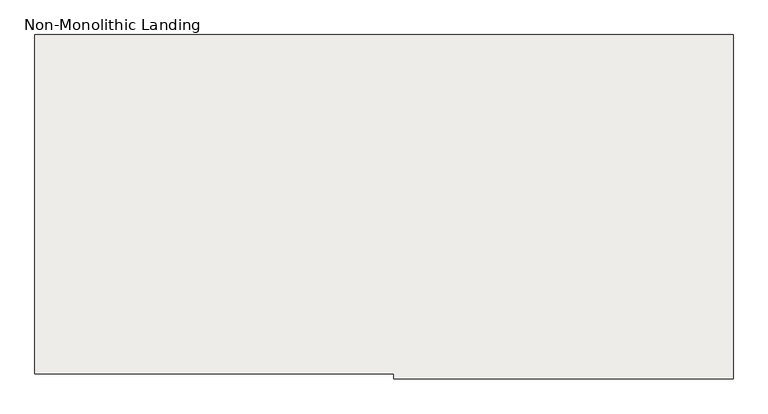
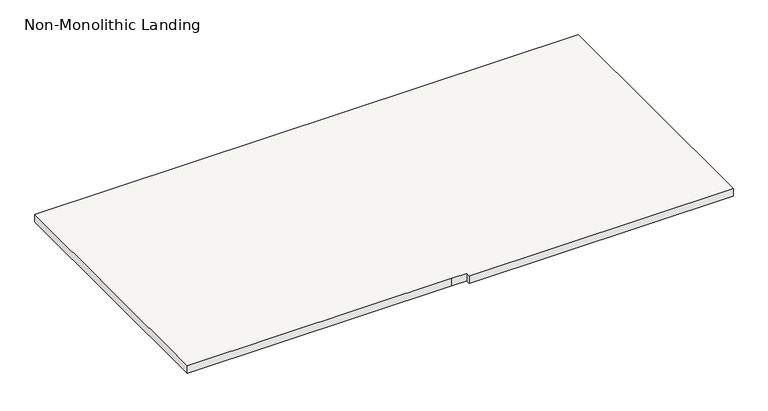
"""IFC4 building model written with IfcOpenShell, lengths in millimetres: slab geometry, Non-Monolithic Landing."""

from ifc_helpers import new_model, si_unit, frame, origin, place, context, project, spatial, polyline, outline, extrude, source, transform, mapped, element, save


def non_monolithic_landing_f9a3b29c(model_context):
    return source(origin(), model_context, "Body", "SweptSolid", [
        extrude(outline(polyline([(-156496.1011888, 224736.3956745), (-156496.1011888, 226412.7956745), (-153044.5739901, 226412.7956745), (-153044.5739901, 224736.3956745), (-153044.5739901, 224710.9956745), (-154720.9739901, 224710.9956745), (-154720.9739901, 224736.3956745), (-154819.7011888, 224736.3956745), (-156496.1011888, 224736.3956745)])), frame((0.0, 0.0, -2590.8), z_axis=(0.0, 0.0, 1.0), x_axis=(1.0, 0.0, 0.0)), (0.0, 0.0, 1.0), 50.8),
    ])


if __name__ == "__main__":
    model = new_model("IFC4")
    model_context = context("Model", 3, world=origin())
    ifc_project = project(units=[si_unit("LENGTHUNIT", "METRE", prefix="MILLI")], contexts=[model_context])
    site = spatial("IfcSite", under=ifc_project)
    building = spatial("IfcBuilding", under=site)
    placement = place(None, origin())
    non_monolithic_landing_shape = non_monolithic_landing_f9a3b29c(model_context)
    element("IfcSlab", 1, ObjectType="Non-Monolithic Landing", at=placement, inside=building, context=model_context, shape_type="MappedRepresentation", body=[
        mapped(non_monolithic_landing_shape, transform((0.0, 0.0, 0.0), x_axis=(1.0, 0.0, 0.0), y_axis=(0.0, 1.0, 0.0), z_axis=(0.0, 0.0, 1.0))),
    ])
    save(model, "model.ifc")
